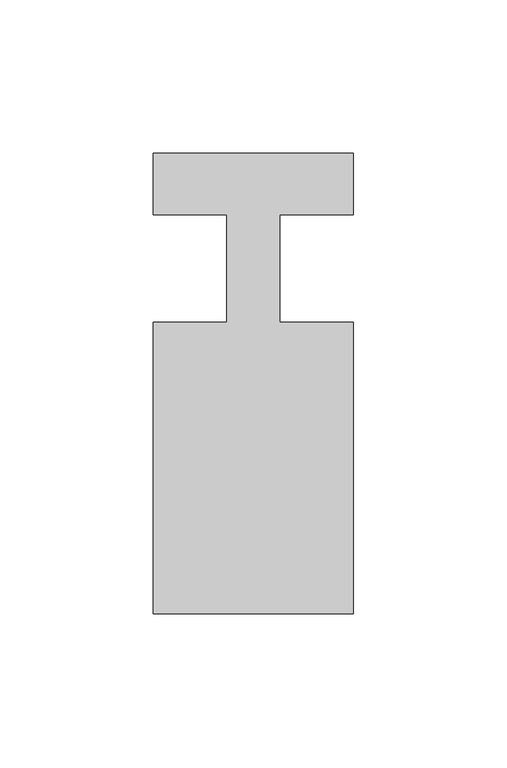
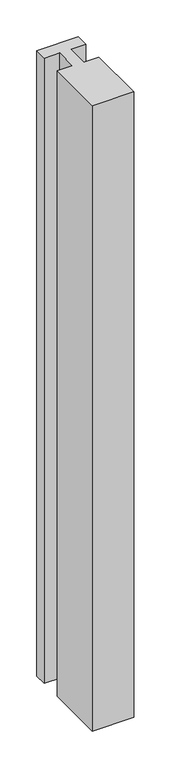
"""IFC4 building model written with IfcOpenShell, lengths in millimetres: member geometry."""

from ifc_helpers import new_model, si_unit, frame, origin, place, context, project, spatial, polyline, outline, extrude, source, transform, mapped, element, save


def member_055ad568(model_context):
    return source(origin(), model_context, "Body", "SweptSolid", [
        extrude(outline(polyline([(0.0, 37.0), (0.0, 17.0), (-23.8125, 17.0), (-23.8125, -18.0), (0.0, -18.0), (0.0, -113.0), (-65.0, -113.0), (-65.0, -18.0), (-41.1875, -18.0), (-41.1875, 17.0), (-65.0, 17.0), (-65.0, 37.0), (0.0, 37.0)])), frame((0.0, 0.0, -1034.0982143), z_axis=(0.0, 0.0, 1.0), x_axis=(1.0, 0.0, 0.0)), (0.0, 0.0, 1.0), 1034.0982143),
    ])


if __name__ == "__main__":
    model = new_model("IFC4")
    model_context = context("Model", 3, world=origin())
    ifc_project = project(units=[si_unit("LENGTHUNIT", "METRE", prefix="MILLI")], contexts=[model_context])
    site = spatial("IfcSite", under=ifc_project)
    building = spatial("IfcBuilding", under=site)
    placement = place(None, origin())
    member_shape = member_055ad568(model_context)
    element("IfcMember", 1, at=placement, inside=building, context=model_context, shape_type="MappedRepresentation", body=[
        mapped(member_shape, transform((0.0, 0.0, 0.0), x_axis=(1.0, 0.0, 0.0), y_axis=(0.0, 1.0, 0.0), z_axis=(0.0, 0.0, 1.0))),
    ])
    save(model, "model.ifc")
